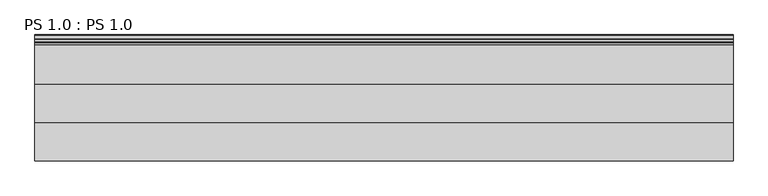
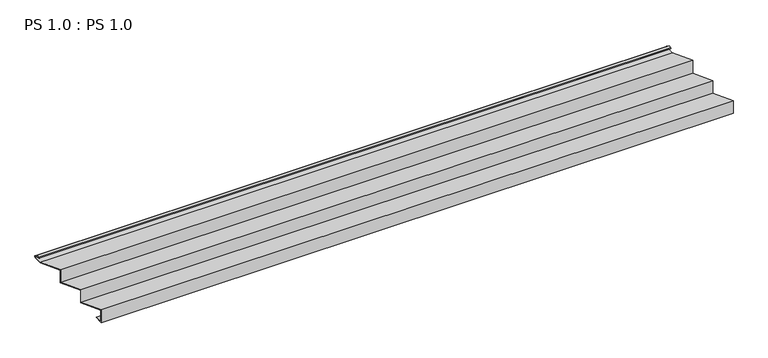
"""IFC4 building model written with IfcOpenShell, lengths in millimetres: proxy geometry, PS 1.0 : PS 1.0."""

from ifc_helpers import new_model, si_unit, point, frame, frame_2d, origin, place, context, project, spatial, polyline, circle_curve, trimmed, segment, composite_curve, outline, extrude, source, transform, mapped, element, save


def ps_1_0_ps_1_0_60b623d2(model_context):
    return source(origin(), model_context, "Body", "SweptSolid", [
        extrude(outline(composite_curve([segment(polyline([(0.0, 0.0), (0.0, 38.0), (100.0, 0.0), (100.0, 38.0), (200.0, 0.0), (200.0, 38.0), (299.9966446, 0.0), (325.0510156, 0.0)]), True, "CONTINUOUS"), segment(trimmed(circle_curve(frame_2d((324.3094696, 1.9153551)), 2.0538928), [point((325.0510156, 0.0))], [point((325.1748462, 3.778041))], True, "CARTESIAN"), True, "CONTINUOUS"), segment(polyline([(325.1748462, 3.778041), (308.7874714, 6.923107)]), True, "CONTINUOUS"), segment(trimmed(circle_curve(frame_2d((309.4078886, 8.6005442)), 1.7884947), [point((308.7874714, 6.923107))], [point((308.9525789, 10.3301125))], False, "CARTESIAN"), True, "CONTINUOUS"), segment(polyline([(308.9525789, 10.3301125), (316.459338, 11.6715995), (316.635255, 10.6871945), (309.1762081, 9.3542338)]), True, "CONTINUOUS"), segment(trimmed(circle_curve(frame_2d((309.4078886, 8.6005442)), 0.7884947), [point((309.1762081, 9.3542338))], [point((309.0735117, 7.8864603))], True, "CARTESIAN"), True, "CONTINUOUS"), segment(polyline([(309.0735117, 7.8864603), (325.4722719, 4.7392091)]), True, "CONTINUOUS"), segment(trimmed(circle_curve(frame_2d((324.3094696, 1.9153551)), 3.0538928), [point((325.4722719, 4.7392091))], [point((325.2188462, -1.0))], False, "CARTESIAN"), True, "CONTINUOUS"), segment(polyline([(325.2188462, -1.0), (299.8130433, -1.0), (201.0, 36.5502164), (201.0, -1.4497663), (101.0, 36.5502337), (101.0, -1.4497663), (1.0, 36.5502337), (1.0, 1.0), (25.0, 1.0), (25.0, 0.0), (0.0, 0.0)]), True, "CONTINUOUS")], self_intersect=False)), frame((0.0, 0.0, 0.0), z_axis=(1.0, 0.0, 0.0), x_axis=(0.0, 1.0, 0.0)), (0.0, 0.0, 1.0), 1805.6641938),
    ])


if __name__ == "__main__":
    model = new_model("IFC4")
    model_context = context("Model", 3, world=origin())
    ifc_project = project(units=[si_unit("LENGTHUNIT", "METRE", prefix="MILLI")], contexts=[model_context])
    site = spatial("IfcSite", under=ifc_project)
    building = spatial("IfcBuilding", under=site)
    placement = place(None, origin())
    ps_1_0_ps_1_0_shape = ps_1_0_ps_1_0_60b623d2(model_context)
    element("IfcBuildingElementProxy", 1, Name="PS 1.0 : PS 1.0", ObjectType="PS 1.0 : PS 1.0", at=placement, inside=building, context=model_context, shape_type="MappedRepresentation", body=[
        mapped(ps_1_0_ps_1_0_shape, transform((0.0, 0.0, 0.0), x_axis=(1.0, 0.0, 0.0), y_axis=(0.0, 1.0, 0.0), z_axis=(0.0, 0.0, 1.0))),
    ])
    save(model, "model.ifc")
